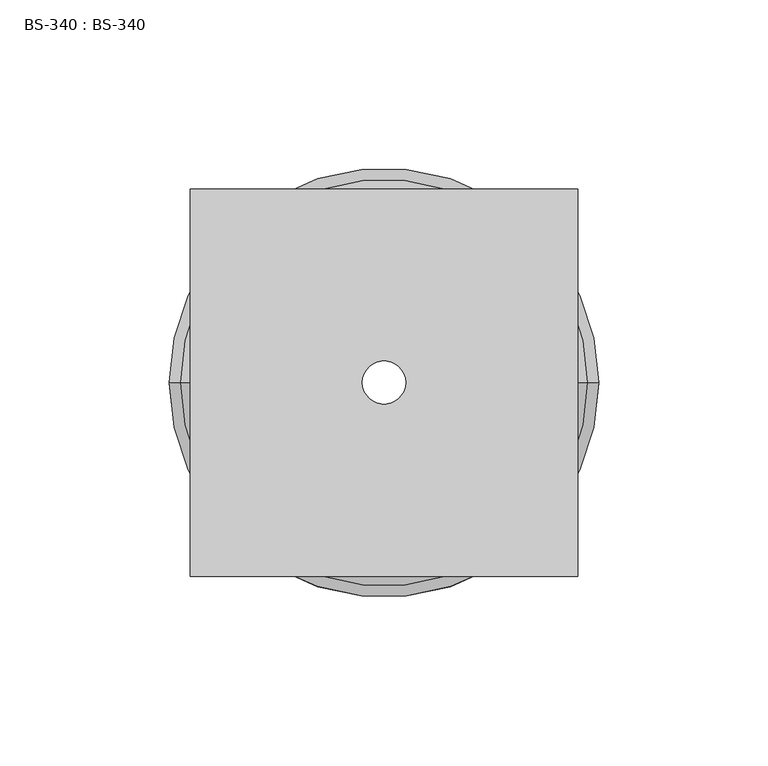
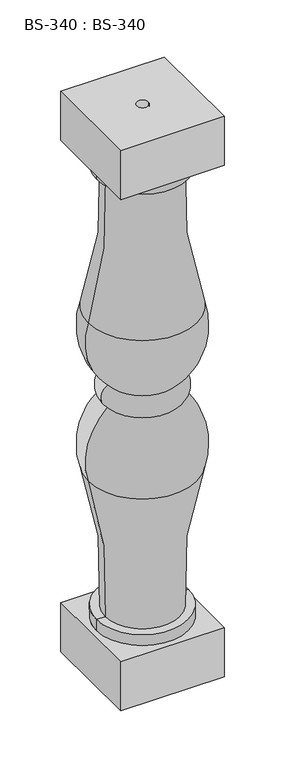
"""IFC4 building model written with IfcOpenShell, lengths in millimetres: proxy geometry, BS-340 : BS-340."""

from ifc_helpers import new_model, si_unit, point, frame, origin, origin_with_axes, place, context, project, spatial, polyline, circle_curve, ellipse_curve, trimmed, source, transform, mapped, element, save
from ifc_brep_helpers import plane_surface, cylinder_surface, revolved_surface, advanced_brep


def bs_340_bs_340_2e600295(model_context):
    return source(origin(), model_context, "Body", "AdvancedBrep", [
        advanced_brep(
        [(-57.15, -57.15, 654.05), (-57.15, -57.15, 596.9), (57.15, -57.15, 596.9), (57.15, -57.15, 654.05), (-57.15, 57.15, 654.05), (57.15, 57.15, 654.05), (57.15, 57.15, 596.9), (-57.15, 57.15, 596.9), (50.8, 0.0, 596.9), (-50.8, 0.0, 596.9), (-6.35, 0.0, 654.05), (6.35, 0.0, 654.05), (-41.275, 0.0, 584.2), (41.275, 0.0, 584.2), (59.957996, 0.0, 419.483174), (-59.957996, 0.0, 419.483174), (-50.8, 0.0, 584.2), (50.8, 0.0, 584.2), (-50.8, 0.0, 69.85), (50.8, 0.0, 69.85), (50.8, 0.0, 57.15), (-50.8, 0.0, 57.15), (-41.275, 0.0, 69.85), (41.275, 0.0, 69.85), (-59.957996, 0.0, 234.566826), (59.957996, 0.0, 234.566826), (-38.1, 0.0, 314.325), (38.1, 0.0, 314.325), (-38.1, 0.0, 339.725), (38.1, 0.0, 339.725), (-57.15, -57.15, 57.15), (-57.15, -57.15, 0.0), (57.15, -57.15, 0.0), (57.15, -57.15, 57.15), (-57.15, 57.15, 57.15), (57.15, 57.15, 57.15), (57.15, 57.15, 0.0), (-57.15, 57.15, 0.0), (6.35, 0.0, 0.0), (-6.35, 0.0, 0.0)],
        [
            (0, 1),
            (1, 2),
            (2, 3),
            (3, 0),
            (4, 5),
            (5, 6),
            (6, 7),
            (7, 4),
            (0, 4),
            (7, 1),
            (6, 2),
            (8, 9, circle_curve(frame((0.0, 0.0, 596.9), z_axis=(0.0, 0.0, 1.0), x_axis=(1.0, 0.0, 0.0)), 50.8)),
            (9, 8, circle_curve(frame((0.0, 0.0, 596.9), z_axis=(0.0, 0.0, 1.0), x_axis=(1.0, 0.0, 0.0)), 50.8)),
            (5, 3),
            (10, 11, circle_curve(frame((0.0, 0.0, 654.05), z_axis=(0.0, 0.0, -1.0), x_axis=(1.0, 0.0, 0.0)), 6.35)),
            (11, 10, circle_curve(frame((0.0, 0.0, 654.05), z_axis=(0.0, 0.0, -1.0), x_axis=(1.0, 0.0, 0.0)), 6.35)),
            (12, 13, circle_curve(frame((0.0, 0.0, 584.2), z_axis=(0.0, 0.0, -1.0), x_axis=(1.0, 0.0, 0.0)), 41.275)),
            (13, 14, circle_curve(frame((471.6866399, 0.0, 549.6014423), z_axis=(0.0, -1.0, 0.0), x_axis=(1.0, 0.0, 0.0)), 431.8)),
            (14, 15, circle_curve(frame((0.0, 0.0, 419.483174), z_axis=(0.0, 0.0, 1.0), x_axis=(1.0, 0.0, 0.0)), 59.957996)),
            (15, 12, circle_curve(frame((-471.6866399, 0.0, 549.6014423), z_axis=(0.0, -1.0, 0.0), x_axis=(-1.0, 0.0, 0.0)), 431.8)),
            (13, 12, circle_curve(frame((0.0, 0.0, 584.2), z_axis=(0.0, 0.0, -1.0), x_axis=(1.0, 0.0, 0.0)), 41.275)),
            (15, 14, circle_curve(frame((0.0, 0.0, 419.483174), z_axis=(0.0, 0.0, 1.0), x_axis=(1.0, 0.0, 0.0)), 59.957996)),
            (12, 16),
            (16, 17, circle_curve(frame((0.0, 0.0, 584.2), z_axis=(0.0, 0.0, -1.0), x_axis=(1.0, 0.0, 0.0)), 50.8)),
            (17, 13),
            (17, 16, circle_curve(frame((0.0, 0.0, 584.2), z_axis=(0.0, 0.0, -1.0), x_axis=(1.0, 0.0, 0.0)), 50.8)),
            (16, 9),
            (8, 17),
            (18, 19, circle_curve(frame((0.0, 0.0, 69.85), z_axis=(0.0, 0.0, -1.0), x_axis=(1.0, 0.0, 0.0)), 50.8)),
            (19, 20),
            (20, 21, circle_curve(frame((0.0, 0.0, 57.15), z_axis=(0.0, 0.0, 1.0), x_axis=(1.0, 0.0, 0.0)), 50.8)),
            (21, 18),
            (19, 18, circle_curve(frame((0.0, 0.0, 69.85), z_axis=(0.0, 0.0, -1.0), x_axis=(1.0, 0.0, 0.0)), 50.8)),
            (21, 20, circle_curve(frame((0.0, 0.0, 57.15), z_axis=(0.0, 0.0, 1.0), x_axis=(1.0, 0.0, 0.0)), 50.8)),
            (18, 22),
            (22, 23, circle_curve(frame((0.0, 0.0, 69.85), z_axis=(0.0, 0.0, -1.0), x_axis=(1.0, 0.0, 0.0)), 41.275)),
            (23, 19),
            (23, 22, circle_curve(frame((0.0, 0.0, 69.85), z_axis=(0.0, 0.0, -1.0), x_axis=(1.0, 0.0, 0.0)), 41.275)),
            (22, 24, circle_curve(frame((-471.6866399, 0.0, 104.4485577), z_axis=(0.0, -1.0, 0.0), x_axis=(-1.0, 0.0, 0.0)), 431.8)),
            (24, 25, circle_curve(frame((0.0, 0.0, 234.566826), z_axis=(0.0, 0.0, -1.0), x_axis=(1.0, 0.0, 0.0)), 59.957996)),
            (25, 23, circle_curve(frame((471.6866399, 0.0, 104.4485577), z_axis=(0.0, -1.0, 0.0), x_axis=(1.0, 0.0, 0.0)), 431.8)),
            (25, 24, circle_curve(frame((0.0, 0.0, 234.566826), z_axis=(0.0, 0.0, -1.0), x_axis=(1.0, 0.0, 0.0)), 59.957996)),
            (24, 26, circle_curve(frame((12.7, 0.0, 257.5288734), z_axis=(0.0, 1.0, 0.0), x_axis=(-1.0, 0.0, 0.0)), 76.2)),
            (26, 27, circle_curve(frame((0.0, 0.0, 314.325), z_axis=(0.0, 0.0, -1.0), x_axis=(1.0, 0.0, 0.0)), 38.1)),
            (27, 25, circle_curve(frame((-12.7, 0.0, 257.5288734), z_axis=(0.0, 1.0, 0.0), x_axis=(1.0, 0.0, 0.0)), 76.2)),
            (27, 26, circle_curve(frame((0.0, 0.0, 314.325), z_axis=(0.0, 0.0, -1.0), x_axis=(1.0, 0.0, 0.0)), 38.1)),
            (26, 28, circle_curve(frame((-31.75, 0.0, 327.025), z_axis=(0.0, 1.0, 0.0), x_axis=(-1.0, 0.0, 0.0)), 14.1990317)),
            (28, 29, circle_curve(frame((0.0, 0.0, 339.725), z_axis=(0.0, 0.0, -1.0), x_axis=(1.0, 0.0, 0.0)), 38.1)),
            (29, 27, circle_curve(frame((31.75, 0.0, 327.025), z_axis=(0.0, 1.0, 0.0), x_axis=(1.0, 0.0, 0.0)), 14.1990317)),
            (29, 28, circle_curve(frame((0.0, 0.0, 339.725), z_axis=(0.0, 0.0, -1.0), x_axis=(1.0, 0.0, 0.0)), 38.1)),
            (14, 29, circle_curve(frame((-12.7, 0.0, 396.5211266), z_axis=(0.0, 1.0, 0.0), x_axis=(1.0, 0.0, 0.0)), 76.2)),
            (28, 15, circle_curve(frame((12.7, 0.0, 396.5211266), z_axis=(0.0, 1.0, 0.0), x_axis=(-1.0, 0.0, 0.0)), 76.2)),
            (30, 31),
            (31, 32),
            (32, 33),
            (33, 30),
            (34, 35),
            (35, 36),
            (36, 37),
            (37, 34),
            (30, 34),
            (37, 31),
            (36, 32),
            (38, 39, circle_curve(origin_with_axes(), 6.35)),
            (39, 38, circle_curve(origin_with_axes(), 6.35)),
            (35, 33),
            (38, 11),
            (10, 39),
        ],
        [
            plane_surface(frame((-57.15, -57.15, 596.9), z_axis=(0.0, -1.0, 0.0), x_axis=(0.0, 0.0, -1.0))),
            plane_surface(frame((-57.15, 57.15, 596.9), z_axis=(0.0, 1.0, 0.0), x_axis=(0.0, 0.0, 1.0))),
            plane_surface(frame((-57.15, -57.15, 654.05), z_axis=(-1.0, 0.0, 0.0), x_axis=(0.0, 1.0, 0.0))),
            plane_surface(frame((-57.15, -57.15, 596.9), z_axis=(0.0, 0.0, -1.0), x_axis=(0.0, 1.0, 0.0))),
            plane_surface(frame((57.15, -57.15, 596.9), z_axis=(1.0, 0.0, 0.0), x_axis=(0.0, 1.0, 0.0))),
            plane_surface(frame((57.15, -57.15, 654.05), z_axis=(0.0, 0.0, 1.0), x_axis=(0.0, 1.0, 0.0))),
            revolved_surface(trimmed(ellipse_curve(frame((471.6866399, 0.0, 549.6014423), z_axis=(0.0, 1.0, 0.0), x_axis=(1.0, 0.0, 0.0)), 431.8, 431.8), [point((59.957996, 0.0, 419.483174))], [point((41.275, 0.0, 584.2))], True, "CARTESIAN"), (0.0, 0.0, 57.15), (0.0, 0.0, 1.0)),
            plane_surface(frame((0.0, 0.0, 584.2), z_axis=(0.0, 0.0, -1.0), x_axis=(1.0, 0.0, 0.0))),
            cylinder_surface(frame((0.0, 0.0, 57.15), z_axis=(0.0, 0.0, 1.0), x_axis=(1.0, 0.0, 0.0)), 50.8),
            plane_surface(frame((0.0, 0.0, 69.85), z_axis=(0.0, 0.0, 1.0), x_axis=(1.0, 0.0, 0.0))),
            revolved_surface(trimmed(ellipse_curve(frame((471.6866399, 0.0, 104.4485577), z_axis=(0.0, 1.0, 0.0), x_axis=(1.0, 0.0, 0.0)), 431.8, 431.8), [point((41.275, 0.0, 69.85))], [point((59.957996, 0.0, 234.566826))], True, "CARTESIAN"), (0.0, 0.0, 57.15), (0.0, 0.0, 1.0)),
            revolved_surface(trimmed(ellipse_curve(frame((-12.7, 0.0, 257.5288734), z_axis=(0.0, -1.0, 0.0), x_axis=(1.0, 0.0, 0.0)), 76.2, 76.2), [point((59.957996, 0.0, 234.566826))], [point((38.1, 0.0, 314.325))], True, "CARTESIAN"), (0.0, 0.0, 57.15), (0.0, 0.0, 1.0)),
            revolved_surface(trimmed(ellipse_curve(frame((31.75, 0.0, 327.025), z_axis=(0.0, -1.0, 0.0), x_axis=(1.0, 0.0, 0.0)), 14.1990317, 14.1990317), [point((38.1, 0.0, 314.325))], [point((38.1, 0.0, 339.725))], True, "CARTESIAN"), (0.0, 0.0, 57.15), (0.0, 0.0, 1.0)),
            revolved_surface(trimmed(ellipse_curve(frame((-12.7, 0.0, 396.5211266), z_axis=(0.0, -1.0, 0.0), x_axis=(1.0, 0.0, 0.0)), 76.2, 76.2), [point((38.1, 0.0, 339.725))], [point((59.957996, 0.0, 419.483174))], True, "CARTESIAN"), (0.0, 0.0, 57.15), (0.0, 0.0, 1.0)),
            plane_surface(frame((-57.15, -57.15, 0.0), z_axis=(0.0, -1.0, 0.0), x_axis=(0.0, 0.0, -1.0))),
            plane_surface(frame((-57.15, 57.15, 0.0), z_axis=(0.0, 1.0, 0.0), x_axis=(0.0, 0.0, 1.0))),
            plane_surface(frame((-57.15, -57.15, 57.15), z_axis=(-1.0, 0.0, 0.0), x_axis=(0.0, 1.0, 0.0))),
            plane_surface(frame((-57.15, -57.15, 0.0), z_axis=(0.0, 0.0, -1.0), x_axis=(0.0, 1.0, 0.0))),
            plane_surface(frame((57.15, -57.15, 0.0), z_axis=(1.0, 0.0, 0.0), x_axis=(0.0, 1.0, 0.0))),
            plane_surface(frame((57.15, -57.15, 57.15), z_axis=(0.0, 0.0, 1.0), x_axis=(0.0, 1.0, 0.0))),
            revolved_surface(polyline([(6.35, 0.0, 0.0), (6.35, 0.0, 654.05)]), (0.0, 0.0, 654.05), (0.0, 0.0, -1.0)),
        ],
        [
            (0, [[1, 2, 3, 4]]),
            (1, [[5, 6, 7, 8]]),
            (2, [[-1, 9, -8, 10]]),
            (3, [[-2, -10, -7, 11], [12, 13]]),
            (4, [[-3, -11, -6, 14]]),
            (5, [[-4, -14, -5, -9], [15, 16]]),
            (6, [[17, 18, 19, 20]]),
            (6, [[-18, 21, -20, 22]]),
            (7, [[-17, 23, 24, 25]]),
            (7, [[-21, -25, 26, -23]]),
            (8, [[-24, 27, -12, 28]]),
            (8, [[-26, -28, -13, -27]]),
            (8, [[29, 30, 31, 32]]),
            (8, [[-30, 33, -32, 34]]),
            (9, [[-29, 35, 36, 37]]),
            (9, [[-33, -37, 38, -35]]),
            (10, [[-36, 39, 40, 41]]),
            (10, [[-38, -41, 42, -39]]),
            (11, [[-40, 43, 44, 45]]),
            (11, [[-42, -45, 46, -43]]),
            (12, [[-44, 47, 48, 49]]),
            (12, [[-46, -49, 50, -47]]),
            (13, [[-19, 51, -48, 52]]),
            (13, [[-22, -52, -50, -51]]),
            (14, [[53, 54, 55, 56]]),
            (15, [[57, 58, 59, 60]]),
            (16, [[-53, 61, -60, 62]]),
            (17, [[-54, -62, -59, 63], [64, 65]]),
            (18, [[-55, -63, -58, 66]]),
            (19, [[-56, -66, -57, -61], [-31, -34]]),
            (20, [[67, -15, 68, -64]]),
            (20, [[-67, -65, -68, -16]]),
        ],
    ),
    ])


if __name__ == "__main__":
    model = new_model("IFC4")
    model_context = context("Model", 3, world=origin())
    ifc_project = project(units=[si_unit("LENGTHUNIT", "METRE", prefix="MILLI")], contexts=[model_context])
    site = spatial("IfcSite", under=ifc_project)
    building = spatial("IfcBuilding", under=site)
    placement = place(None, origin())
    bs_340_bs_340_shape = bs_340_bs_340_2e600295(model_context)
    element("IfcBuildingElementProxy", 1, Name="BS-340 : BS-340", ObjectType="BS-340 : BS-340", at=placement, inside=building, context=model_context, shape_type="MappedRepresentation", body=[
        mapped(bs_340_bs_340_shape, transform((0.0, 0.0, 0.0), x_axis=(1.0, 0.0, 0.0), y_axis=(0.0, 1.0, 0.0), z_axis=(0.0, 0.0, 1.0))),
    ])
    save(model, "model.ifc")
